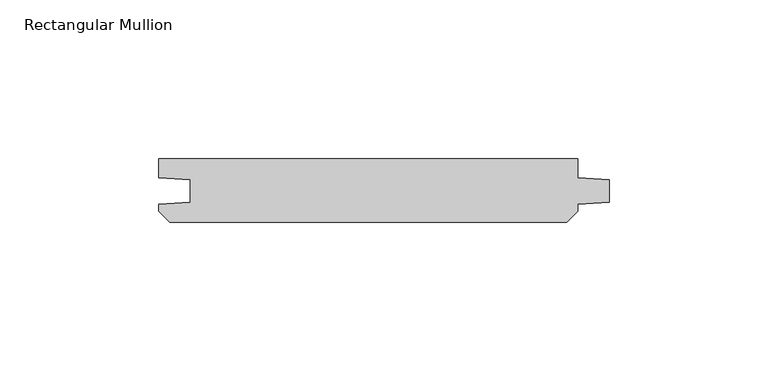
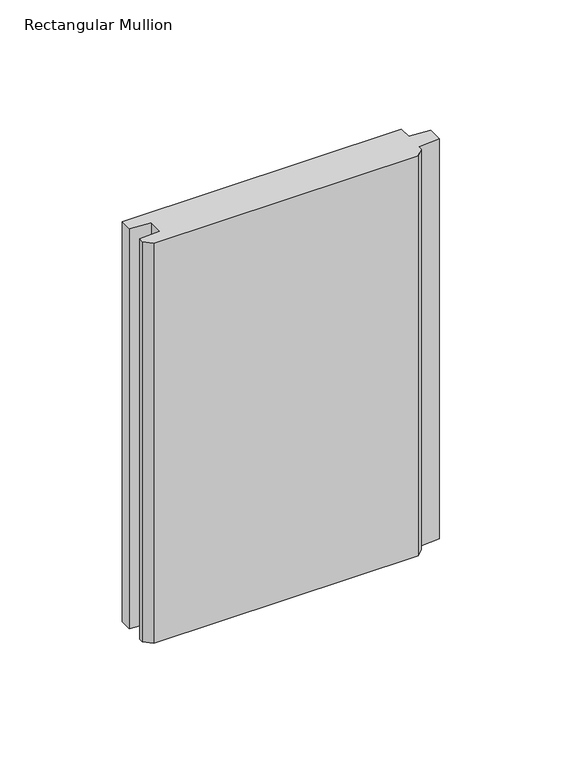
"""IFC4 building model written with IfcOpenShell, lengths in millimetres: member geometry, Rectangular Mullion."""

import ifcopenshell
import ifcopenshell.guid

model = None  # the IFC model being written
_history = None  # IfcOwnerHistory: only IFC2X3 demands one
_inside = {}  # id of a spatial element -> (the spatial element, [elements in it])
_under = {}  # id of a project, library or spatial element -> (it, [spatial elements below it])
_declared = {}  # id of a project -> (the project, [libraries it declares])
_typed = {}  # id of a type object -> (the type object, [elements of that type])
_made_of = {}  # id of a material, layer set ... -> (it, [elements and type objects made of it])


def new_model(schema):
    """Start an empty IFC model of exactly this schema.

    Asked for "IFC4X3", IfcOpenShell would pick the latest addendum, in which some entities
    have other attributes; the version numbers below select the first issue.
    IFC2X3 requires an IfcOwnerHistory on every rooted entity: one is made here for all.
    """
    global model, _history
    if schema == "IFC4X3":
        model = ifcopenshell.file(schema_version=(4, 3, 0, 0))
    else:
        model = ifcopenshell.file(schema=schema)
    _inside.clear()
    _under.clear()
    _declared.clear()
    _typed.clear()
    _made_of.clear()
    _history = None
    if model.schema == "IFC2X3":
        org = make("IfcOrganization", Name="unknown")
        user = make(
            "IfcPersonAndOrganization",
            ThePerson=make("IfcPerson", FamilyName="unknown"),
            TheOrganization=org,
        )
        app = make(
            "IfcApplication",
            ApplicationDeveloper=org,
            Version="unknown",
            ApplicationFullName="unknown",
            ApplicationIdentifier="unknown",
        )
        _history = make(
            "IfcOwnerHistory",
            OwningUser=user,
            OwningApplication=app,
            ChangeAction="ADDED",
            CreationDate=0,
        )
    return model


def make(cls, **values):
    """One entity of the class cls with the attributes given. An attribute that is None is left unset."""
    return model.create_entity(
        cls, **{name: value for name, value in values.items() if value is not None}
    )


def rooted(cls, **values):
    """An entity with a GlobalId (a new one), such as an element, a storey or a relation."""
    return make(cls, GlobalId=ifcopenshell.guid.new(), OwnerHistory=_history, **values)


def si_unit(unit_type, name, prefix=None):
    """IfcSIUnit, for example si_unit("LENGTHUNIT", "METRE", prefix="MILLI")."""
    return make("IfcSIUnit", UnitType=unit_type, Prefix=prefix, Name=name)


def assignment(units):
    """IfcUnitAssignment: the units of a project."""
    return None if units is None else make("IfcUnitAssignment", Units=units)


def point(xyz):
    """IfcCartesianPoint."""
    return None if xyz is None else make("IfcCartesianPoint", Coordinates=xyz)


def direction(xyz):
    """IfcDirection."""
    return None if xyz is None else make("IfcDirection", DirectionRatios=xyz)


def frame(location, z_axis=None, x_axis=None):
    """IfcAxis2Placement3D, a coordinate frame: its origin and axes. An axis left out is left unset."""
    return make(
        "IfcAxis2Placement3D",
        Location=point(location),
        Axis=direction(z_axis),
        RefDirection=direction(x_axis),
    )


def origin():
    """The frame at (0, 0, 0) with its axes left unset."""
    return frame((0.0, 0.0, 0.0))


def place(relative_to, where):
    """IfcLocalPlacement: puts the frame where relative to a parent placement (None: the world)."""
    return make(
        "IfcLocalPlacement", PlacementRelTo=relative_to, RelativePlacement=where
    )


def context(
    kind, dimensions, precision=None, world=None, true_north=None, identifier=None
):
    """IfcGeometricRepresentationContext, for example the 3D "Model" context."""
    return make(
        "IfcGeometricRepresentationContext",
        ContextIdentifier=identifier,
        ContextType=kind,
        CoordinateSpaceDimension=dimensions,
        Precision=precision,
        WorldCoordinateSystem=world,
        TrueNorth=true_north,
    )


def project(units=None, contexts=None):
    """IfcProject with its units and contexts."""
    return rooted(
        "IfcProject",
        Name="project",
        RepresentationContexts=contexts,
        UnitsInContext=assignment(units),
    )


def spatial(cls, under=None, at=None, **own):
    """A site, building, storey or space (cls), placed at a placement, below another one or the project."""
    s = rooted(cls, ObjectPlacement=at, **own)
    if under is not None:
        _under.setdefault(under.id(), (under, []))[1].append(s)
    return s


def polyline(points):
    """IfcPolyline through the points."""
    return make("IfcPolyline", Points=[point(p) for p in points])


def outline(outer, holes=None, kind="AREA"):
    """IfcArbitraryClosedProfileDef: a profile drawn as a closed curve; with holes, ...WithVoids."""
    if holes is None:
        return make("IfcArbitraryClosedProfileDef", ProfileType=kind, OuterCurve=outer)
    return make(
        "IfcArbitraryProfileDefWithVoids",
        ProfileType=kind,
        OuterCurve=outer,
        InnerCurves=holes,
    )


def extrude(swept, where, along, depth):
    """IfcExtrudedAreaSolid: the profile swept, set in the frame where, extruded along a direction by depth."""
    return make(
        "IfcExtrudedAreaSolid",
        SweptArea=swept,
        Position=where,
        ExtrudedDirection=direction(along),
        Depth=depth,
    )


def shape(context_of_items, identifier, shape_type, items):
    """IfcShapeRepresentation: the items that make up one representation, for example the "Body"."""
    return make(
        "IfcShapeRepresentation",
        ContextOfItems=context_of_items,
        RepresentationIdentifier=identifier,
        RepresentationType=shape_type,
        Items=items,
    )


def source(mapping_origin, context_of_items, identifier, shape_type, items):
    """IfcRepresentationMap: a shape defined once, which mapped items show again and again."""
    return make(
        "IfcRepresentationMap",
        MappingOrigin=mapping_origin,
        MappedRepresentation=shape(context_of_items, identifier, shape_type, items),
    )


def transform(
    local_origin,
    x_axis=None,
    y_axis=None,
    z_axis=None,
    scale=None,
    scale2=None,
    scale3=None,
    uniform=True,
):
    """IfcCartesianTransformationOperator3D, or its non-uniform kind. x_axis, y_axis, z_axis: its Axis1, 2, 3."""
    if uniform:
        return make(
            "IfcCartesianTransformationOperator3D",
            Axis1=direction(x_axis),
            Axis2=direction(y_axis),
            LocalOrigin=point(local_origin),
            Scale=scale,
            Axis3=direction(z_axis),
        )
    return make(
        "IfcCartesianTransformationOperator3DnonUniform",
        Axis1=direction(x_axis),
        Axis2=direction(y_axis),
        LocalOrigin=point(local_origin),
        Scale=scale,
        Axis3=direction(z_axis),
        Scale2=scale2,
        Scale3=scale3,
    )


def mapped(mapping_source, mapping_target):
    """IfcMappedItem: shows the shape of a source again, moved by a transform."""
    return make(
        "IfcMappedItem", MappingSource=mapping_source, MappingTarget=mapping_target
    )


def made_of(thing, what):
    """Note that an element or type object is made of a material, layer set ...; save() writes the relation."""
    if what is not None:
        _made_of.setdefault(what.id(), (what, []))[1].append(thing)
    return thing


def element(
    cls,
    number,
    at=None,
    inside=None,
    cuts=None,
    type_object=None,
    material=None,
    context=None,
    identifier="Body",
    shape_type=None,
    held_by="IfcProductDefinitionShape",
    body=None,
    shapes=None,
    **own,
):
    """One element of the class cls, such as IfcWall. Its Tag is "e" and its number.

    at: its placement. inside: the storey or other place that contains it. cuts: it is an
    opening in that element (IfcRelVoidsElement). A single representation is given by context,
    identifier, shape_type and body (its items); several are given by shapes. held_by: the class
    of the entity that holds the representations. save() writes the other relations.
    """
    e = rooted(cls, Tag="e%d" % number, ObjectPlacement=at, **own)
    if body is not None:
        shapes = [shape(context, identifier, shape_type, body)]
    if shapes is not None:
        e.Representation = make(held_by, Representations=shapes)
    if inside is not None:
        _inside.setdefault(inside.id(), (inside, []))[1].append(e)
    if cuts is not None:
        rooted(
            "IfcRelVoidsElement", RelatingBuildingElement=cuts, RelatedOpeningElement=e
        )
    if type_object is not None:
        _typed.setdefault(type_object.id(), (type_object, []))[1].append(e)
    return made_of(e, material)


def aggregate(whole, parts):
    """IfcRelAggregates: a whole, such as a stair, and the parts it consists of."""
    return rooted("IfcRelAggregates", RelatingObject=whole, RelatedObjects=parts)


def save(model, path):
    """Write the relations noted so far, then the file.

    IfcRelAggregates (storeys below a building ...), IfcRelContainedInSpatialStructure (elements
    in a storey), IfcRelDefinesByType, IfcRelAssociatesMaterial and IfcRelDeclares: one each for
    every whole, place, type object, material and project.
    """
    for whole, parts in _under.values():
        aggregate(whole, parts)
    for where, things in _inside.values():
        rooted(
            "IfcRelContainedInSpatialStructure",
            RelatedElements=things,
            RelatingStructure=where,
        )
    for kind, things in _typed.values():
        rooted("IfcRelDefinesByType", RelatedObjects=things, RelatingType=kind)
    for what, things in _made_of.values():
        rooted("IfcRelAssociatesMaterial", RelatedObjects=things, RelatingMaterial=what)
    for by, libraries in _declared.values():
        rooted("IfcRelDeclares", RelatingContext=by, RelatedDefinitions=libraries)
    model.write(path)


def rectangular_mullion_6824825b(model_context):
    return source(origin(), model_context, "Body", "SweptSolid", [
        extrude(outline(polyline([(-10.0, 0.0), (-10.0, -5.9651903), (0.0, -6.6644584), (0.0, -13.6642442), (-10.0, -14.3635124), (-10.0, -16.5283124), (-13.4716876, -20.0), (-138.5283124, -20.0), (-142.0, -16.5283124), (-142.0, -14.3635124), (-132.0, -13.6642442), (-132.0, -6.6644584), (-142.0, -5.9651903), (-142.0, 0.0), (-10.0, 0.0)])), frame((0.0, 0.0, -200.0), z_axis=(0.0, 0.0, 1.0), x_axis=(1.0, 0.0, 0.0)), (0.0, 0.0, 1.0), 200.0),
    ])


if __name__ == "__main__":
    model = new_model("IFC4")
    model_context = context("Model", 3, world=origin())
    ifc_project = project(units=[si_unit("LENGTHUNIT", "METRE", prefix="MILLI")], contexts=[model_context])
    site = spatial("IfcSite", under=ifc_project)
    building = spatial("IfcBuilding", under=site)
    placement = place(None, origin())
    rectangular_mullion_shape = rectangular_mullion_6824825b(model_context)
    element("IfcMember", 1, ObjectType="Rectangular Mullion", at=placement, inside=building, context=model_context, shape_type="MappedRepresentation", body=[
        mapped(rectangular_mullion_shape, transform((0.0, 0.0, 0.0), x_axis=(1.0, 0.0, 0.0), y_axis=(0.0, 1.0, 0.0), z_axis=(0.0, 0.0, 1.0))),
    ])
    save(model, "model.ifc")
